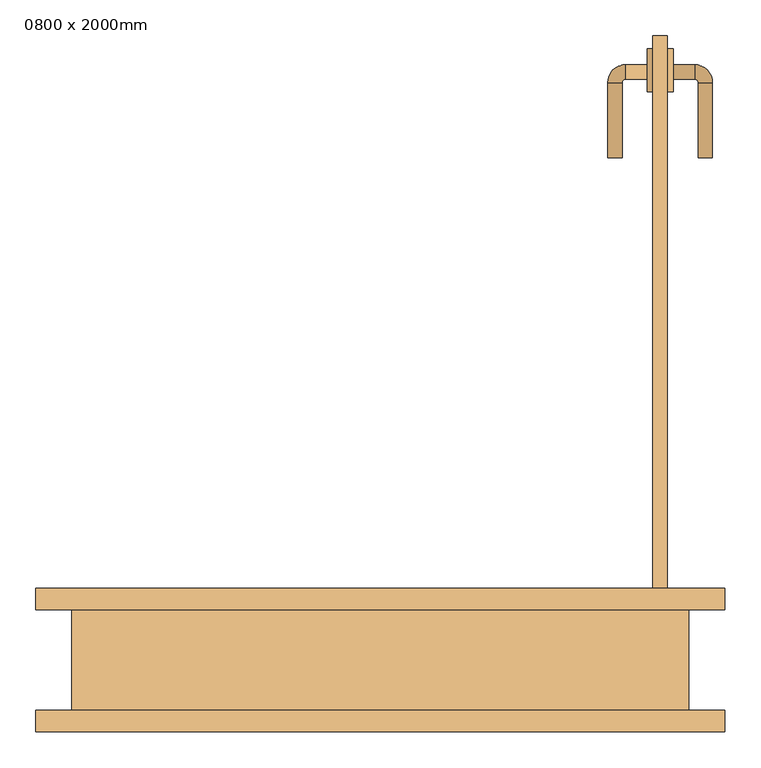
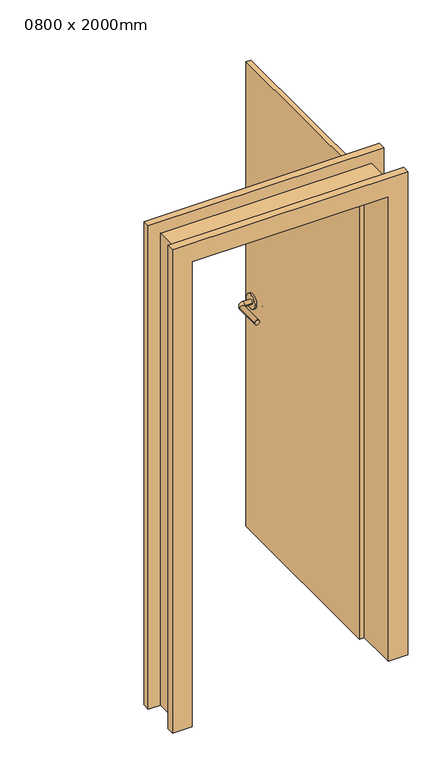
"""IFC4 building model written with IfcOpenShell, lengths in millimetres: door geometry, 0800 x 2000mm."""

from ifc_helpers import new_model, si_unit, point, frame, frame_2d, origin, origin_with_axes, place, context, project, spatial, polyline, circle_curve, ellipse_curve, trimmed, segment, composite_curve, outline, extrude, faceted_brep, source, transform, mapped, element, save
from ifc_brep_helpers import plane_surface, cylinder_surface, revolved_surface, advanced_brep


def door_0800_x_2000mm_c983540b(model_context):
    return source(origin(), model_context, "Body", "SolidModel", [
        advanced_brep(
        [(372.0, 830.0, 1000.0), (372.0, 810.0, 1000.0), (342.0, 810.0, 1000.0), (342.0, 830.0, 1000.0), (337.0, 805.0, 1000.0), (317.0, 805.0, 1000.0), (317.0, 700.0, 1000.0), (337.0, 700.0, 1000.0)],
        [
            (0, 1, circle_curve(frame((372.0, 820.0, 1000.0), z_axis=(1.0, 0.0, 0.0), x_axis=(0.0, -0.9999999999999986, 0.0)), 10.0)),
            (1, 0, circle_curve(frame((372.0, 820.0, 1000.0), z_axis=(1.0, 0.0, 0.0), x_axis=(0.0, -0.9999999999999986, 0.0)), 10.0)),
            (1, 2),
            (2, 3, circle_curve(frame((342.0, 820.0, 1000.0), z_axis=(1.0, 0.0, 0.0), x_axis=(0.0, -0.9999999999999986, 0.0)), 10.0)),
            (3, 0),
            (3, 2, circle_curve(frame((342.0, 820.0, 1000.0), z_axis=(1.0, 0.0, 0.0), x_axis=(0.0, -0.9999999999999986, 0.0)), 10.0)),
            (4, 5, circle_curve(frame((327.0, 805.0, 1000.0), z_axis=(0.0, 0.9999999999999986, 0.0), x_axis=(0.9999999999999986, 0.0, 0.0)), 10.0)),
            (5, 3, circle_curve(frame((342.0, 805.0, 1000.0), z_axis=(0.0, 0.0, -1.0), x_axis=(0.0, 0.9999999999999986, 0.0)), 25.0)),
            (2, 4, circle_curve(frame((342.0, 805.0, 1000.0), z_axis=(0.0, 0.0, 1.0), x_axis=(0.0, 0.9999999999999986, 0.0)), 5.0)),
            (5, 4, circle_curve(frame((327.0, 805.0, 1000.0), z_axis=(0.0, 0.9999999999999986, 0.0), x_axis=(0.9999999999999986, 0.0, 0.0)), 10.0)),
            (6, 7, circle_curve(frame((327.0, 700.0, 1000.0), z_axis=(0.0, -1.0, 0.0), x_axis=(0.9999999999999986, 0.0, 0.0)), 10.0)),
            (7, 6, circle_curve(frame((327.0, 700.0, 1000.0), z_axis=(0.0, -1.0, 0.0), x_axis=(0.9999999999999986, 0.0, 0.0)), 10.0)),
            (4, 7),
            (6, 5),
        ],
        [
            plane_surface(frame((372.0, 820.0, 1000.0), z_axis=(1.0, 0.0, 0.0), x_axis=(0.0, 0.0, 1.0))),
            cylinder_surface(frame((372.0, 820.0, 1000.0), z_axis=(0.9999999999999986, 0.0, 0.0), x_axis=(0.0, -0.9999999999999986, 0.0)), 10.0),
            revolved_surface(trimmed(ellipse_curve(frame((342.0, 820.0, 1000.0), z_axis=(-0.9999999999999986, 0.0, 0.0), x_axis=(0.0, -0.9999999999999986, 0.0)), 10.0, 10.0), [point((342.0, 830.0, 1000.0))], [point((342.0, 810.0, 1000.0))], True, "CARTESIAN"), (342.0, 805.0, 1000.0), (0.0, 0.0, -1.0)),
            revolved_surface(trimmed(ellipse_curve(frame((342.0, 820.0, 1000.0), z_axis=(-0.9999999999999986, 0.0, 0.0), x_axis=(0.0, -0.9999999999999986, 0.0)), 10.0, 10.0), [point((342.0, 810.0, 1000.0))], [point((342.0, 830.0, 1000.0))], True, "CARTESIAN"), (342.0, 805.0, 1000.0), (0.0, 0.0, -1.0)),
            plane_surface(frame((327.0, 700.0, 1000.0), z_axis=(0.0, -1.0, 0.0), x_axis=(0.0, 0.0, 1.0))),
            cylinder_surface(frame((327.0, 805.0, 1000.0), z_axis=(0.0, 0.9999999999999986, 0.0), x_axis=(0.9999999999999986, 0.0, 0.0)), 10.0),
        ],
        [
            (0, [[1, 2]]),
            (1, [[3, 4, 5, -2]]),
            (1, [[-5, 6, -3, -1]]),
            (2, [[7, 8, -4, 9]]),
            (3, [[10, -9, -6, -8]]),
            (4, [[11, 12]]),
            (5, [[13, -11, 14, -7]]),
            (5, [[-14, -12, -13, -10]]),
        ],
    ),
        extrude(outline(composite_curve([segment(trimmed(circle_curve(frame_2d((822.5, 1000.0)), 30.0), [point((852.5, 1000.0))], [point((792.5, 1000.0))], False, "CARTESIAN"), True, "CONTINUOUS"), segment(trimmed(circle_curve(frame_2d((822.5, 1000.0)), 30.0), [point((792.5, 1000.0))], [point((852.5, 1000.0))], False, "CARTESIAN"), True, "CONTINUOUS")], self_intersect=False)), frame((372.0, 0.0, 0.0), z_axis=(1.0, 0.0, 0.0), x_axis=(0.0, 1.0, 0.0)), (0.0, 0.0, 1.0), 8.0),
        advanced_brep(
        [(408.0, 830.0, 1000.0), (408.0, 810.0, 1000.0), (438.0, 830.0, 1000.0), (438.0, 810.0, 1000.0), (443.0, 805.0, 1000.0), (463.0, 805.0, 1000.0), (463.0, 700.0, 1000.0), (443.0, 700.0, 1000.0)],
        [
            (0, 1, circle_curve(frame((408.0, 820.0, 1000.0), z_axis=(-1.0, 0.0, 0.0), x_axis=(0.0, -0.9999999999999993, 0.0)), 10.0)),
            (1, 0, circle_curve(frame((408.0, 820.0, 1000.0), z_axis=(-1.0, 0.0, 0.0), x_axis=(0.0, -0.9999999999999993, 0.0)), 10.0)),
            (0, 2),
            (2, 3, circle_curve(frame((438.0, 820.0, 1000.0), z_axis=(-1.0, 0.0, 0.0), x_axis=(0.0, -0.9999999999999993, 0.0)), 10.0)),
            (3, 1),
            (3, 2, circle_curve(frame((438.0, 820.0, 1000.0), z_axis=(-1.0, 0.0, 0.0), x_axis=(0.0, -0.9999999999999993, 0.0)), 10.0)),
            (4, 3, circle_curve(frame((438.0, 805.0, 1000.0), z_axis=(0.0, 0.0, 1.0), x_axis=(0.0, 0.9999999999999993, 0.0)), 5.0)),
            (2, 5, circle_curve(frame((438.0, 805.0, 1000.0), z_axis=(0.0, 0.0, -1.0), x_axis=(0.0, 0.9999999999999993, 0.0)), 25.0)),
            (5, 4, circle_curve(frame((453.0, 805.0, 1000.0), z_axis=(0.0, 0.9999999999999993, 0.0), x_axis=(-0.9999999999999993, 0.0, 0.0)), 10.0)),
            (4, 5, circle_curve(frame((453.0, 805.0, 1000.0), z_axis=(0.0, 0.9999999999999993, 0.0), x_axis=(-0.9999999999999993, 0.0, 0.0)), 10.0)),
            (6, 7, circle_curve(frame((453.0, 700.0, 1000.0), z_axis=(0.0, -1.0, 0.0), x_axis=(-0.9999999999999993, 0.0, 0.0)), 10.0)),
            (7, 6, circle_curve(frame((453.0, 700.0, 1000.0), z_axis=(0.0, -1.0, 0.0), x_axis=(-0.9999999999999993, 0.0, 0.0)), 10.0)),
            (5, 6),
            (7, 4),
        ],
        [
            plane_surface(frame((408.0, 820.0, 1000.0), z_axis=(-1.0, 0.0, 0.0), x_axis=(0.0, 0.0, 1.0))),
            cylinder_surface(frame((408.0, 820.0, 1000.0), z_axis=(-0.9999999999999993, 0.0, 0.0), x_axis=(0.0, -0.9999999999999993, 0.0)), 10.0),
            revolved_surface(trimmed(ellipse_curve(frame((438.0, 820.0, 1000.0), z_axis=(-0.9999999999999993, 0.0, 0.0), x_axis=(0.0, -0.9999999999999993, 0.0)), 10.0, 10.0), [point((438.0, 830.0, 1000.0))], [point((438.0, 810.0, 1000.0))], True, "CARTESIAN"), (438.0, 805.0, 1000.0), (0.0, 0.0, -1.0)),
            revolved_surface(trimmed(ellipse_curve(frame((438.0, 820.0, 1000.0), z_axis=(-0.9999999999999993, 0.0, 0.0), x_axis=(0.0, -0.9999999999999993, 0.0)), 10.0, 10.0), [point((438.0, 810.0, 1000.0))], [point((438.0, 830.0, 1000.0))], True, "CARTESIAN"), (438.0, 805.0, 1000.0), (0.0, 0.0, -1.0)),
            plane_surface(frame((453.0, 700.0, 1000.0), z_axis=(0.0, -1.0, 0.0), x_axis=(0.0, 0.0, 1.0))),
            cylinder_surface(frame((453.0, 805.0, 1000.0), z_axis=(0.0, 0.9999999999999993, 0.0), x_axis=(-0.9999999999999993, 0.0, 0.0)), 10.0),
        ],
        [
            (0, [[1, 2]]),
            (1, [[-1, 3, 4, 5]]),
            (1, [[-2, -5, 6, -3]]),
            (2, [[7, -4, 8, 9]]),
            (3, [[-8, -6, -7, 10]]),
            (4, [[11, 12]]),
            (5, [[-9, 13, -12, 14]]),
            (5, [[-10, -14, -11, -13]]),
        ],
    ),
        extrude(outline(composite_curve([segment(trimmed(circle_curve(frame_2d((822.5, 1000.0)), 30.0), [point((852.5, 1000.0))], [point((792.5, 1000.0))], False, "CARTESIAN"), True, "CONTINUOUS"), segment(trimmed(circle_curve(frame_2d((822.5, 1000.0)), 30.0), [point((792.5, 1000.0))], [point((852.5, 1000.0))], False, "CARTESIAN"), True, "CONTINUOUS")], self_intersect=False)), frame((400.0, 0.0, 0.0), z_axis=(1.0, 0.0, 0.0), x_axis=(0.0, 1.0, 0.0)), (0.0, 0.0, 1.0), 8.0),
        faceted_brep([(-430.0, 70.0, 0.0), (-480.0, 70.0, 0.0), (-480.0, 100.0, 0.0), (-400.0, 100.0, 0.0), (-400.0, -100.0, 0.0), (-480.0, -100.0, 0.0), (-480.0, -70.0, 0.0), (-430.0, -70.0, 0.0), (-430.0, 70.0, 2030.0), (430.0, 70.0, 2030.0), (430.0, 70.0, 0.0), (480.0, 70.0, 0.0), (480.0, 70.0, 2080.0), (-480.0, 70.0, 2080.0), (-480.0, 100.0, 2080.0), (480.0, 100.0, 2080.0), (480.0, 100.0, 0.0), (400.0, 100.0, 0.0), (400.0, 100.0, 2000.0), (-400.0, 100.0, 2000.0), (-400.0, -100.0, 2000.0), (400.0, -100.0, 2000.0), (400.0, -100.0, 0.0), (480.0, -100.0, 0.0), (480.0, -100.0, 2080.0), (-480.0, -100.0, 2080.0), (-480.0, -70.0, 2080.0), (480.0, -70.0, 2080.0), (480.0, -70.0, 0.0), (430.0, -70.0, 0.0), (430.0, -70.0, 2030.0), (-430.0, -70.0, 2030.0)], [[[0, 1, 2, 3, 4, 5, 6, 7]], [[1, 0, 8, 9, 10, 11, 12, 13]], [[2, 1, 13, 14]], [[3, 2, 14, 15, 16, 17, 18, 19]], [[4, 3, 19, 20]], [[5, 4, 20, 21, 22, 23, 24, 25]], [[6, 5, 25, 26]], [[7, 6, 26, 27, 28, 29, 30, 31]], [[0, 7, 31, 8]], [[9, 30, 29, 10]], [[10, 29, 28, 23, 22, 17, 16, 11]], [[15, 12, 11, 16]], [[21, 18, 17, 22]], [[27, 24, 23, 28]], [[14, 13, 12, 15]], [[20, 19, 18, 21]], [[26, 25, 24, 27]], [[8, 31, 30, 9]]]),
        extrude(outline(polyline([(400.0, 870.0), (400.0, 70.0), (380.0, 70.0), (380.0, 870.0), (400.0, 870.0)])), origin_with_axes(), (0.0, 0.0, 1.0), 2000.0),
    ])


if __name__ == "__main__":
    model = new_model("IFC4")
    model_context = context("Model", 3, world=origin())
    ifc_project = project(units=[si_unit("LENGTHUNIT", "METRE", prefix="MILLI")], contexts=[model_context])
    site = spatial("IfcSite", under=ifc_project)
    building = spatial("IfcBuilding", under=site)
    placement = place(None, origin())
    door_0800_x_2000mm_shape = door_0800_x_2000mm_c983540b(model_context)
    element("IfcDoor", 1, ObjectType="0800 x 2000mm", at=placement, inside=building, context=model_context, shape_type="MappedRepresentation", body=[
        mapped(door_0800_x_2000mm_shape, transform((0.0, 0.0, 0.0), x_axis=(1.0, 0.0, 0.0), y_axis=(0.0, 1.0, 0.0), z_axis=(0.0, 0.0, 1.0))),
    ])
    save(model, "model.ifc")
